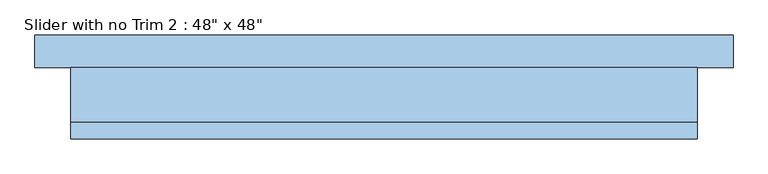
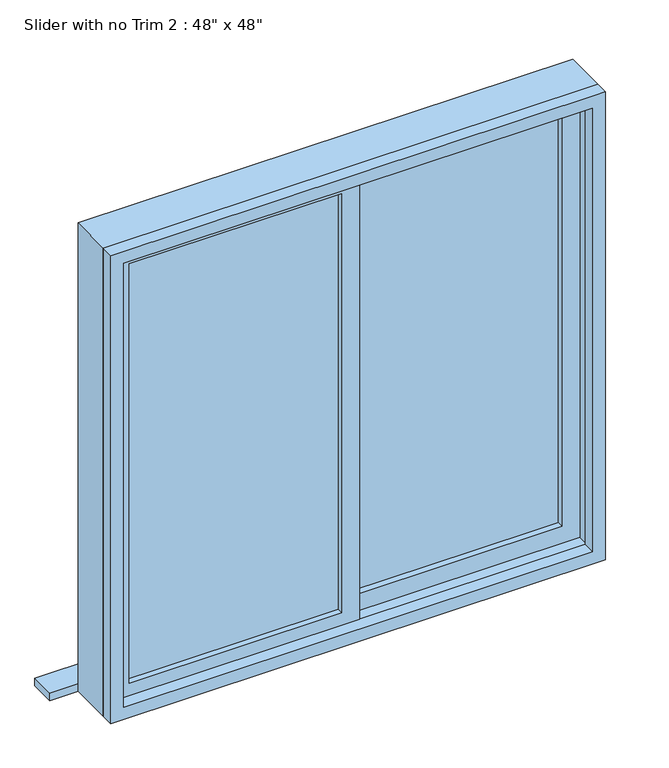
"""IFC4 building model written with IfcOpenShell, lengths in millimetres: window geometry."""

from ifc_helpers import new_model, si_unit, frame, origin, place, context, project, spatial, polyline, outline, extrude, source, transform, mapped, element, save


def window_db45b10b(model_context):
    return source(origin(), model_context, "Body", "SweptSolid", [
        extrude(outline(polyline([(-546.1, -9.525), (-22.225, -9.525), (-22.225, -22.225), (-546.1, -22.225), (-546.1, -9.525)])), frame((0.0, 0.0, 977.9), z_axis=(0.0, 0.0, 1.0), x_axis=(1.0, 0.0, 0.0)), (0.0, 0.0, 1.0), 1092.2),
        extrude(outline(polyline([(2114.55, -590.55), (933.45, -590.55), (933.45, 22.225), (2114.55, 22.225), (2114.55, -590.55)]), holes=[polyline([(2070.1, -546.1), (2070.1, -22.225), (977.9, -22.225), (977.9, -546.1), (2070.1, -546.1)])]), frame((0.0, -38.1, 0.0), z_axis=(0.0, 1.0, 0.0), x_axis=(0.0, 0.0, 1.0)), (0.0, 0.0, 1.0), 44.45),
        extrude(outline(polyline([(-679.45, 133.35), (679.45, 133.35), (679.45, 69.85), (-679.45, 69.85), (-679.45, 133.35)])), frame((0.0, 0.0, 914.4), z_axis=(0.0, 0.0, 1.0), x_axis=(1.0, 0.0, 0.0)), (0.0, 0.0, 1.0), 19.05),
        extrude(outline(polyline([(546.1, 22.225), (22.225, 22.225), (22.225, 34.925), (546.1, 34.925), (546.1, 22.225)])), frame((0.0, 0.0, 977.9), z_axis=(0.0, 0.0, 1.0), x_axis=(1.0, 0.0, 0.0)), (0.0, 0.0, 1.0), 1092.2),
        extrude(outline(polyline([(2114.55, -22.225), (933.45, -22.225), (933.45, 590.55), (2114.55, 590.55), (2114.55, -22.225)]), holes=[polyline([(2070.1, 22.225), (2070.1, 546.1), (977.9, 546.1), (977.9, 22.225), (2070.1, 22.225)])]), frame((0.0, 6.35, 0.0), z_axis=(0.0, 1.0, 0.0), x_axis=(0.0, 0.0, 1.0)), (0.0, 0.0, 1.0), 44.45),
        extrude(outline(polyline([(2133.6, -609.6), (914.4, -609.6), (914.4, 609.6), (2133.6, 609.6), (2133.6, -609.6)]), holes=[polyline([(2101.85, -577.85), (2101.85, 577.85), (946.15, 577.85), (946.15, -577.85), (2101.85, -577.85)])]), frame((0.0, -69.85, 0.0), z_axis=(0.0, 1.0, 0.0), x_axis=(0.0, 0.0, 1.0)), (0.0, 0.0, 1.0), 31.75),
        extrude(outline(polyline([(2133.6, 609.6), (2133.6, -609.6), (914.4, -609.6), (914.4, 609.6), (2133.6, 609.6)]), holes=[polyline([(2114.55, 590.55), (933.45, 590.55), (933.45, -590.55), (2114.55, -590.55), (2114.55, 590.55)])]), frame((0.0, -38.1, 0.0), z_axis=(0.0, 1.0, 0.0), x_axis=(0.0, 0.0, 1.0)), (0.0, 0.0, 1.0), 107.95),
    ])


if __name__ == "__main__":
    model = new_model("IFC4")
    model_context = context("Model", 3, world=origin())
    ifc_project = project(units=[si_unit("LENGTHUNIT", "METRE", prefix="MILLI")], contexts=[model_context])
    site = spatial("IfcSite", under=ifc_project)
    building = spatial("IfcBuilding", under=site)
    placement = place(None, origin())
    window_shape = window_db45b10b(model_context)
    element("IfcWindow", 1, ObjectType="Slider with no Trim 2 : 48\" x 48\"", at=placement, inside=building, context=model_context, shape_type="MappedRepresentation", body=[
        mapped(window_shape, transform((0.0, 0.0, 0.0), x_axis=(1.0, 0.0, 0.0), y_axis=(0.0, 1.0, 0.0), z_axis=(0.0, 0.0, 1.0))),
    ])
    save(model, "model.ifc")
